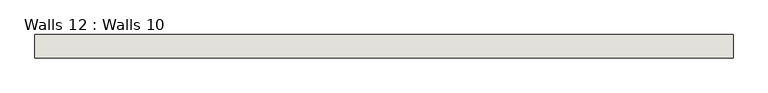
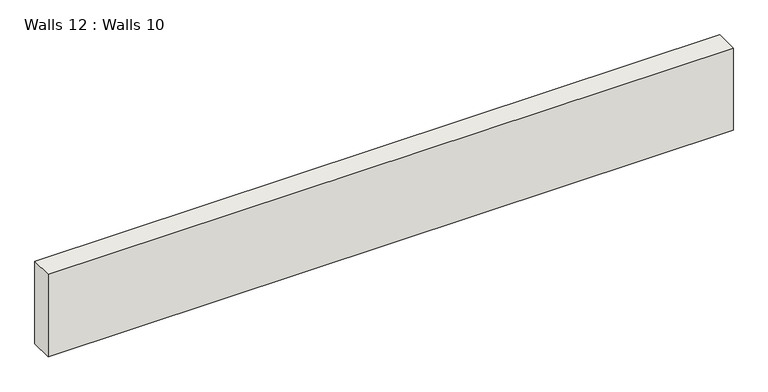
"""IFC4 building model written with IfcOpenShell, lengths in millimetres: wall geometry, Walls 12 : Walls 10."""

from ifc_helpers import new_model, si_unit, frame, origin, place, context, project, spatial, polyline, outline, extrude, source, transform, mapped, element, save


def walls_12_walls_10_ee18b1ca(model_context):
    return source(origin(), model_context, "Body", "SweptSolid", [
        extrude(outline(polyline([(-9369.0507307, 39317.2245636), (-8226.0507307, 39317.2245636), (-8226.0507307, 39279.1245636), (-9369.0507307, 39279.1245636), (-9369.0507307, 39317.2245636)])), frame((0.0, 0.0, -5905.0144606), z_axis=(0.0, 0.0, 1.0), x_axis=(1.0, 0.0, 0.0)), (0.0, 0.0, 1.0), 145.2646393),
    ])


if __name__ == "__main__":
    model = new_model("IFC4")
    model_context = context("Model", 3, world=origin())
    ifc_project = project(units=[si_unit("LENGTHUNIT", "METRE", prefix="MILLI")], contexts=[model_context])
    site = spatial("IfcSite", under=ifc_project)
    building = spatial("IfcBuilding", under=site)
    placement = place(None, origin())
    walls_12_walls_10_shape = walls_12_walls_10_ee18b1ca(model_context)
    element("IfcWall", 1, ObjectType="Walls 12 : Walls 10", at=placement, inside=building, context=model_context, shape_type="MappedRepresentation", body=[
        mapped(walls_12_walls_10_shape, transform((0.0, 0.0, 0.0), x_axis=(1.0, 0.0, 0.0), y_axis=(0.0, 1.0, 0.0), z_axis=(0.0, 0.0, 1.0))),
    ])
    save(model, "model.ifc")
